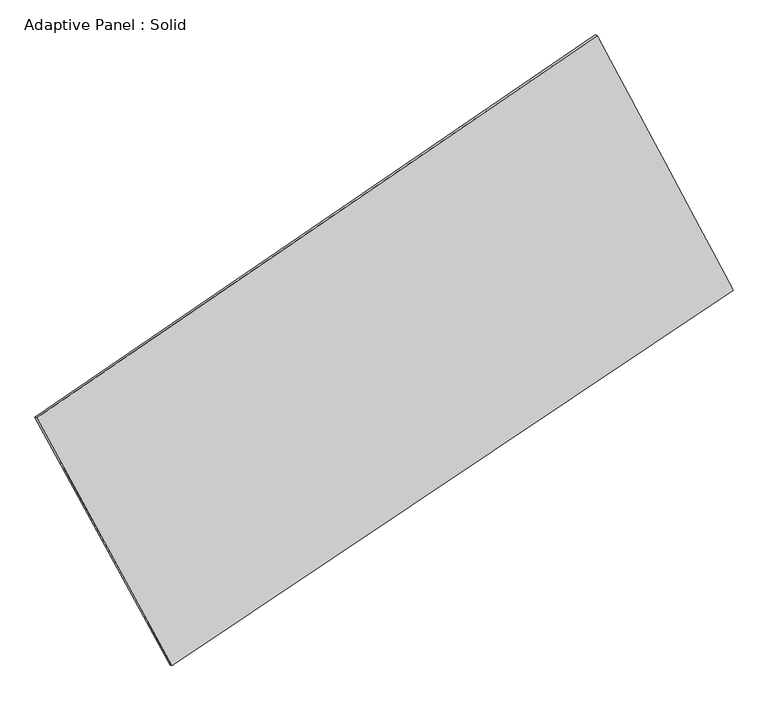
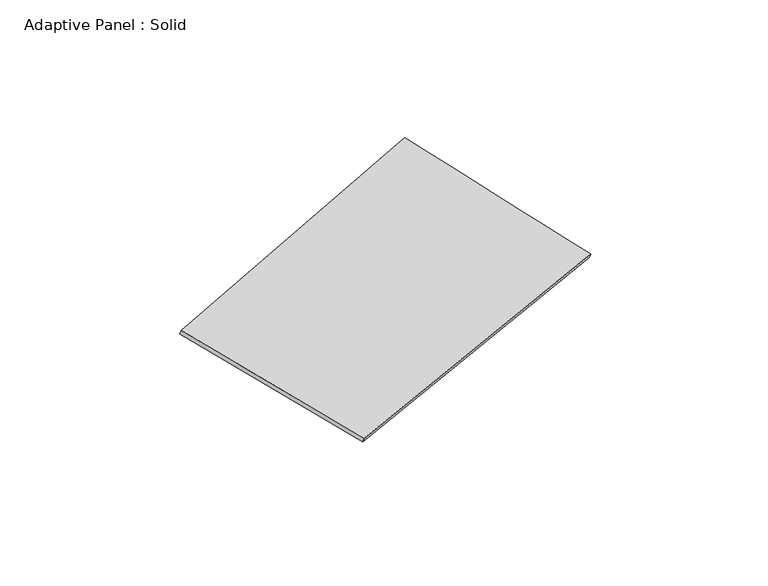
"""IFC4 building model written with IfcOpenShell, lengths in millimetres: plate geometry, Adaptive Panel : Solid."""

from ifc_helpers import new_model, si_unit, frame, origin, place, context, project, spatial, source, transform, mapped, element, save
from ifc_brep_helpers import plane_surface, spline_surface, advanced_brep


def adaptive_panel_solid_0b9f6fe5(model_context):
    return source(origin(), model_context, "Body", "AdvancedBrep", [
        advanced_brep(
        [(1173.1990304, 2619.8174225, 693.563526), (-3639.255945, -662.2135409, 1699.4723068), (-3624.5895891, -668.5936344, 1746.8452149), (1187.8653862, 2613.437329, 740.936434), (-2477.7381167, -2791.4904388, 1095.7273818), (-2463.0717609, -2797.8705323, 1143.1002899), (2340.5044532, 433.6379844, -3.6406945), (2355.170809, 427.257891, 43.7322136)],
        [
            (0, 1),
            (1, 2),
            (2, 3),
            (3, 0),
            (1, 4),
            (4, 5),
            (5, 2),
            (4, 6),
            (6, 7),
            (7, 5),
            (6, 0),
            (3, 7),
        ],
        [
            plane_surface(frame((-1233.0284573, 978.8019408, 1196.5179164), z_axis=(-0.5043401122593493, 0.8212713652325201, 0.26674781314068874), x_axis=(-0.8141130280845561, -0.5552143717796588, 0.1701675023978245))),
            plane_surface(frame((-3058.4970308, -1726.8519899, 1397.5998443), z_axis=(-0.8380561234643409, -0.5112046533408519, 0.19060885689437676), x_axis=(0.46470187664305923, -0.8518844449148765, -0.2415472176542134))),
            plane_surface(frame((-68.6168318, -1178.9262272, 546.0433437), z_axis=(0.4940354684080059, -0.8282337957092047, -0.26449524683820946), x_axis=(0.8164692340213664, 0.546510080209398, -0.18629203452128734))),
            plane_surface(frame((1756.8517418, 1526.7277034, 344.9614158), z_axis=(0.8392015746682192, 0.5090819152198331, -0.19124936776493728), x_axis=(-0.45340964723712884, 0.8491649472417668, 0.2708109749773629))),
            spline_surface(1, 1, [[(-3624.5895891, -668.5936344, 1746.8452149), (1187.8653862, 2613.437329, 740.936434)], [(-2463.0717609, -2797.8705323, 1143.1002899), (2355.170809, 427.257891, 43.7322136)]], [2, 2], [2, 2], [0.0, 1.0], [0.0, 1.0]),
            spline_surface(1, 1, [[(2340.5044532, 433.6379844, -3.6406945), (1173.1990304, 2619.8174225, 693.563526)], [(-2477.7381167, -2791.4904388, 1095.7273818), (-3639.255945, -662.2135409, 1699.4723068)]], [2, 2], [2, 2], [0.0, 1.0], [0.0, 1.0]),
        ],
        [
            (0, [[1, 2, 3, 4]]),
            (1, [[5, 6, 7, -2]]),
            (2, [[8, 9, 10, -6]]),
            (3, [[11, -4, 12, -9]]),
            (4, [[-3, -7, -10, -12]]),
            (5, [[-11, -8, -5, -1]]),
        ],
    ),
    ])


if __name__ == "__main__":
    model = new_model("IFC4")
    model_context = context("Model", 3, world=origin())
    ifc_project = project(units=[si_unit("LENGTHUNIT", "METRE", prefix="MILLI")], contexts=[model_context])
    site = spatial("IfcSite", under=ifc_project)
    building = spatial("IfcBuilding", under=site)
    placement = place(None, origin())
    adaptive_panel_solid_shape = adaptive_panel_solid_0b9f6fe5(model_context)
    element("IfcPlate", 1, ObjectType="Adaptive Panel : Solid", at=placement, inside=building, context=model_context, shape_type="MappedRepresentation", body=[
        mapped(adaptive_panel_solid_shape, transform((0.0, 0.0, 0.0), x_axis=(1.0, 0.0, 0.0), y_axis=(0.0, 1.0, 0.0), z_axis=(0.0, 0.0, 1.0))),
    ])
    save(model, "model.ifc")
